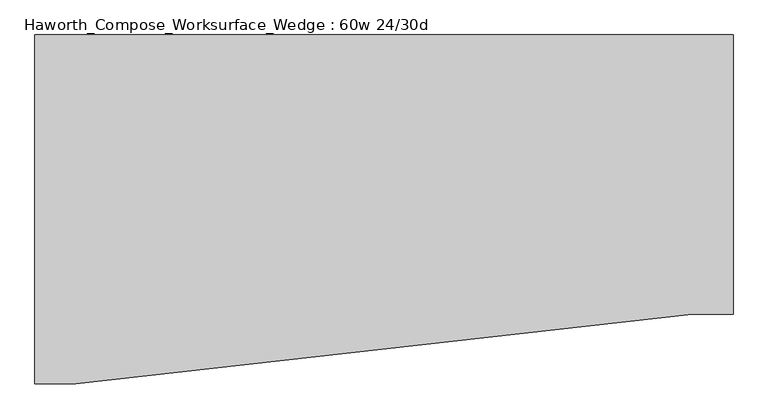
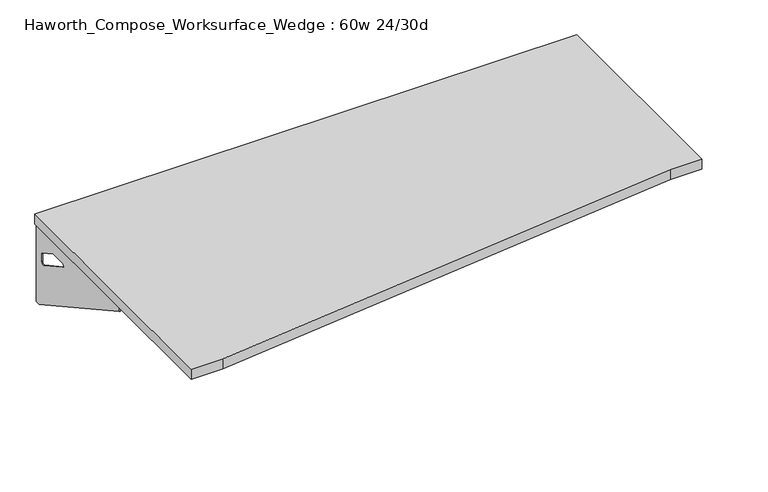
"""IFC4 building model written with IfcOpenShell, lengths in millimetres: furniture geometry, Haworth_Compose_Worksurface_Wedge : 60w 24/30d."""

from ifc_helpers import new_model, si_unit, frame, origin, place, context, project, spatial, polyline, circle_curve, outline, extrude, source, transform, mapped, element, save
from ifc_brep_helpers import plane_surface, revolved_surface, advanced_brep


def haworth_compose_worksurface_wedge_60w_24_30d_6eb2c6d6(model_context):
    return source(origin(), model_context, "Body", "SolidModel", [
        advanced_brep(
        [(756.44375, 381.0, 475.45625), (756.44375, 365.125, 475.45625), (756.44375, -25.4, 691.7192568), (756.44375, -25.4, 704.05625), (756.44375, 365.125, 704.05625), (756.44375, 381.0, 704.05625), (756.44375, 297.690072, 665.95625), (756.44375, 254.0355284, 665.95625), (756.44375, 251.3564235, 656.3705539), (756.44375, 343.0776173, 605.5776439), (756.44375, 352.425, 611.1756969), (756.44375, 352.425, 634.6860246), (756.44375, 350.6730055, 637.5242776), (756.44375, 300.7663437, 665.1613425), (758.825, 381.0, 475.45625), (758.825, 381.0, 704.05625), (758.825, 365.125, 704.05625), (758.825, 365.125, 706.4375), (758.825, -25.4, 706.4375), (758.825, -25.4, 691.7192568), (758.825, 365.125, 475.45625), (758.825, 297.690072, 665.95625), (758.825, 300.7663437, 665.1613425), (758.825, 350.6730055, 637.5242776), (758.825, 352.425, 634.6860246), (758.825, 352.425, 611.1756969), (758.825, 343.0776173, 605.5776439), (758.825, 251.3564235, 656.3705539), (758.825, 254.0355284, 665.95625), (717.55, -25.4, 706.4375), (717.55, -25.4, 704.05625), (717.55, 365.125, 704.05625), (717.55, 365.125, 706.4375)],
        [
            (0, 1),
            (1, 2),
            (2, 3),
            (3, 4),
            (4, 5),
            (5, 0),
            (6, 7),
            (7, 8, circle_curve(frame((756.44375, 254.0355284, 660.7890106), z_axis=(1.0, 0.0, 0.0), x_axis=(0.0, -1.0, 0.0)), 5.1672394)),
            (8, 9),
            (9, 10, circle_curve(frame((756.44375, 346.075, 611.1756969), z_axis=(1.0, 0.0, 0.0), x_axis=(0.0, -1.0, 0.0)), 6.35)),
            (10, 11),
            (11, 12, circle_curve(frame((756.44375, 349.25, 634.6860246), z_axis=(1.0, 0.0, 0.0), x_axis=(0.0, -1.0, 0.0)), 3.175)),
            (12, 13),
            (13, 6, circle_curve(frame((756.44375, 297.690072, 659.60625), z_axis=(1.0, 0.0, 0.0), x_axis=(0.0, -1.0, 0.0)), 6.35)),
            (14, 15),
            (15, 16),
            (16, 17),
            (17, 18),
            (18, 19),
            (19, 20),
            (20, 14),
            (21, 22, circle_curve(frame((758.825, 297.690072, 659.60625), z_axis=(-1.0, 0.0, 0.0), x_axis=(0.0, -1.0, 0.0)), 6.35)),
            (22, 23),
            (23, 24, circle_curve(frame((758.825, 349.25, 634.6860246), z_axis=(-1.0, 0.0, 0.0), x_axis=(0.0, -1.0, 0.0)), 3.175)),
            (24, 25),
            (25, 26, circle_curve(frame((758.825, 346.075, 611.1756969), z_axis=(-1.0, 0.0, 0.0), x_axis=(0.0, -1.0, 0.0)), 6.35)),
            (26, 27),
            (27, 28, circle_curve(frame((758.825, 254.0355284, 660.7890106), z_axis=(-1.0, 0.0, 0.0), x_axis=(0.0, -1.0, 0.0)), 5.1672394)),
            (28, 21),
            (4, 16),
            (15, 5),
            (14, 0),
            (20, 1),
            (19, 2),
            (18, 29),
            (29, 30),
            (30, 3),
            (6, 21),
            (28, 7),
            (9, 26),
            (25, 10),
            (24, 11),
            (23, 12),
            (27, 8),
            (31, 4),
            (30, 31),
            (32, 29),
            (17, 32),
            (31, 32),
            (22, 13),
        ],
        [
            plane_surface(frame((756.44375, 381.0, 475.45625), z_axis=(-1.0, 0.0, 0.0), x_axis=(0.0, 1.0, 0.0))),
            plane_surface(frame((758.825, 381.0, 475.45625), z_axis=(1.0, 0.0, 0.0), x_axis=(0.0, -1.0, 0.0))),
            plane_surface(frame((758.825, -25.4, 704.05625), z_axis=(0.0, 0.0, 1.0), x_axis=(-1.0, 0.0, 0.0))),
            plane_surface(frame((758.825, 381.0, 704.05625), z_axis=(0.0, 1.0, 0.0), x_axis=(-1.0, 0.0, 0.0))),
            plane_surface(frame((758.825, 381.0, 475.45625), z_axis=(0.0, 0.0, -1.0), x_axis=(-1.0, 0.0, 0.0))),
            plane_surface(frame((758.825, 365.125, 475.45625), z_axis=(0.0, -0.48445223513455843, -0.8748177135112952), x_axis=(-1.0, 0.0, 0.0))),
            plane_surface(frame((758.825, -25.4, 691.7192568), z_axis=(0.0, -1.0, 0.0), x_axis=(-1.0, 0.0, 0.0))),
            plane_surface(frame((758.825, 297.690072, 665.95625), z_axis=(0.0, 0.0, -1.0), x_axis=(-1.0, 0.0, 0.0))),
            revolved_surface(polyline([(756.44375, 339.72499999999997, 611.1756969), (758.825, 339.72499999999997, 611.1756969)]), (758.825, 346.075, 611.1756969), (-1.0, 0.0, 0.0)),
            plane_surface(frame((758.825, 352.425, 611.1756969), z_axis=(0.0, -1.0, 0.0), x_axis=(-1.0, 0.0, 0.0))),
            revolved_surface(polyline([(756.44375, 346.075, 634.6860246), (758.825, 346.075, 634.6860246)]), (758.825, 349.25, 634.6860246), (-1.0, 0.0, 0.0)),
            revolved_surface(polyline([(756.44375, 248.868289, 660.7890106), (758.825, 248.868289, 660.7890106)]), (758.825, 254.0355284, 660.7890106), (-1.0, 0.0, 0.0)),
            plane_surface(frame((758.825, 365.125, 704.05625), z_axis=(0.0, 0.0, -1.0), x_axis=(-1.0, 0.0, 0.0))),
            plane_surface(frame((758.825, 365.125, 706.4375), z_axis=(0.0, 0.0, 1.0), x_axis=(1.0, 0.0, 0.0))),
            plane_surface(frame((717.55, 365.125, 706.4375), z_axis=(0.0, 1.0, 0.0), x_axis=(0.0, 0.0, -1.0))),
            plane_surface(frame((717.55, -25.4, 706.4375), z_axis=(-1.0, 0.0, 0.0), x_axis=(0.0, 0.0, -1.0))),
            plane_surface(frame((758.825, 251.3564235, 656.3705539), z_axis=(0.0, 0.4844522351345583, 0.8748177135112953), x_axis=(-1.0, 0.0, 0.0))),
            plane_surface(frame((758.825, 350.6730055, 637.5242776), z_axis=(0.0, -0.4844522351345582, -0.8748177135112953), x_axis=(-1.0, 0.0, 0.0))),
            revolved_surface(polyline([(756.44375, 291.34007199999996, 659.60625), (758.825, 291.34007199999996, 659.60625)]), (758.825, 297.690072, 659.60625), (-1.0, 0.0, 0.0)),
        ],
        [
            (0, [[1, 2, 3, 4, 5, 6], [7, 8, 9, 10, 11, 12, 13, 14]]),
            (1, [[15, 16, 17, 18, 19, 20, 21], [22, 23, 24, 25, 26, 27, 28, 29]]),
            (2, [[-5, 30, -16, 31]]),
            (3, [[-31, -15, 32, -6]]),
            (4, [[-32, -21, 33, -1]]),
            (5, [[-33, -20, 34, -2]]),
            (6, [[-34, -19, 35, 36, 37, -3]]),
            (7, [[38, -29, 39, -7]]),
            (8, [[40, -26, 41, -10]]),
            (9, [[-41, -25, 42, -11]]),
            (10, [[-42, -24, 43, -12]]),
            (11, [[-39, -28, 44, -8]]),
            (12, [[45, -4, -37, 46]]),
            (13, [[47, -35, -18, 48]]),
            (14, [[-17, -30, -45, 49, -48]]),
            (15, [[-36, -47, -49, -46]]),
            (16, [[-44, -27, -40, -9]]),
            (17, [[-43, -23, 50, -13]]),
            (18, [[-50, -22, -38, -14]]),
        ],
    ),
        advanced_brep(
        [(-756.44375, 381.0, 475.45625), (-756.44375, 381.0, 704.05625), (-756.44375, 365.125, 704.05625), (-756.44375, -25.4, 704.05625), (-756.44375, -25.4, 691.7192568), (-756.44375, 365.125, 475.45625), (-756.44375, 297.690072, 665.95625), (-756.44375, 300.7663437, 665.1613425), (-756.44375, 350.6730055, 637.5242776), (-756.44375, 352.425, 634.6860246), (-756.44375, 352.425, 611.1756969), (-756.44375, 343.0776173, 605.5776439), (-756.44375, 251.3564235, 656.3705539), (-756.44375, 254.0355284, 665.95625), (-758.825, 381.0, 475.45625), (-758.825, 365.125, 475.45625), (-758.825, -25.4, 691.7192568), (-758.825, -25.4, 706.4375), (-758.825, 365.125, 706.4375), (-758.825, 365.125, 704.05625), (-758.825, 381.0, 704.05625), (-758.825, 297.690072, 665.95625), (-758.825, 254.0355284, 665.95625), (-758.825, 251.3564235, 656.3705539), (-758.825, 343.0776173, 605.5776439), (-758.825, 352.425, 611.1756969), (-758.825, 352.425, 634.6860246), (-758.825, 350.6730055, 637.5242776), (-758.825, 300.7663437, 665.1613425), (-717.55, -25.4, 704.05625), (-717.55, -25.4, 706.4375), (-717.55, 365.125, 704.05625), (-717.55, 365.125, 706.4375)],
        [
            (0, 1),
            (1, 2),
            (2, 3),
            (3, 4),
            (4, 5),
            (5, 0),
            (6, 7, circle_curve(frame((-756.44375, 297.690072, 659.60625), z_axis=(-1.0, 0.0, 0.0), x_axis=(0.0, -1.0, 0.0)), 6.35)),
            (7, 8),
            (8, 9, circle_curve(frame((-756.44375, 349.25, 634.6860246), z_axis=(-1.0, 0.0, 0.0), x_axis=(0.0, -1.0, 0.0)), 3.175)),
            (9, 10),
            (10, 11, circle_curve(frame((-756.44375, 346.075, 611.1756969), z_axis=(-1.0, 0.0, 0.0), x_axis=(0.0, -1.0, 0.0)), 6.35)),
            (11, 12),
            (12, 13, circle_curve(frame((-756.44375, 254.0355284, 660.7890106), z_axis=(-1.0, 0.0, 0.0), x_axis=(0.0, -1.0, 0.0)), 5.1672394)),
            (13, 6),
            (14, 15),
            (15, 16),
            (16, 17),
            (17, 18),
            (18, 19),
            (19, 20),
            (20, 14),
            (21, 22),
            (22, 23, circle_curve(frame((-758.825, 254.0355284, 660.7890106), z_axis=(1.0, 0.0, 0.0), x_axis=(0.0, -1.0, 0.0)), 5.1672394)),
            (23, 24),
            (24, 25, circle_curve(frame((-758.825, 346.075, 611.1756969), z_axis=(1.0, 0.0, 0.0), x_axis=(0.0, -1.0, 0.0)), 6.35)),
            (25, 26),
            (26, 27, circle_curve(frame((-758.825, 349.25, 634.6860246), z_axis=(1.0, 0.0, 0.0), x_axis=(0.0, -1.0, 0.0)), 3.175)),
            (27, 28),
            (28, 21, circle_curve(frame((-758.825, 297.690072, 659.60625), z_axis=(1.0, 0.0, 0.0), x_axis=(0.0, -1.0, 0.0)), 6.35)),
            (1, 20),
            (19, 2),
            (0, 14),
            (5, 15),
            (4, 16),
            (3, 29),
            (29, 30),
            (30, 17),
            (13, 22),
            (21, 6),
            (10, 25),
            (24, 11),
            (9, 26),
            (8, 27),
            (12, 23),
            (31, 29),
            (2, 31),
            (32, 18),
            (30, 32),
            (32, 31),
            (7, 28),
        ],
        [
            plane_surface(frame((-756.44375, 381.0, 475.45625), z_axis=(1.0, 0.0, 0.0), x_axis=(0.0, 1.0, 0.0))),
            plane_surface(frame((-758.825, 381.0, 475.45625), z_axis=(-1.0, 0.0, 0.0), x_axis=(0.0, -1.0, 0.0))),
            plane_surface(frame((-758.825, -25.4, 704.05625), z_axis=(0.0, 0.0, 1.0), x_axis=(1.0, 0.0, 0.0))),
            plane_surface(frame((-758.825, 381.0, 704.05625), z_axis=(0.0, 1.0, 0.0), x_axis=(1.0, 0.0, 0.0))),
            plane_surface(frame((-758.825, 381.0, 475.45625), z_axis=(0.0, 0.0, -1.0), x_axis=(1.0, 0.0, 0.0))),
            plane_surface(frame((-758.825, 365.125, 475.45625), z_axis=(0.0, -0.48445223513455843, -0.8748177135112952), x_axis=(1.0, 0.0, 0.0))),
            plane_surface(frame((-758.825, -25.4, 691.7192568), z_axis=(0.0, -1.0, 0.0), x_axis=(1.0, 0.0, 0.0))),
            plane_surface(frame((-758.825, 297.690072, 665.95625), z_axis=(0.0, 0.0, -1.0), x_axis=(1.0, 0.0, 0.0))),
            revolved_surface(polyline([(-756.44375, 339.72499999999997, 611.1756969), (-758.825, 339.72499999999997, 611.1756969)]), (-758.825, 346.075, 611.1756969), (1.0, 0.0, 0.0)),
            plane_surface(frame((-758.825, 352.425, 611.1756969), z_axis=(0.0, -1.0, 0.0), x_axis=(1.0, 0.0, 0.0))),
            revolved_surface(polyline([(-756.44375, 346.075, 634.6860246), (-758.825, 346.075, 634.6860246)]), (-758.825, 349.25, 634.6860246), (1.0, 0.0, 0.0)),
            revolved_surface(polyline([(-756.44375, 248.868289, 660.7890106), (-758.825, 248.868289, 660.7890106)]), (-758.825, 254.0355284, 660.7890106), (1.0, 0.0, 0.0)),
            plane_surface(frame((-758.825, 365.125, 704.05625), z_axis=(0.0, 0.0, -1.0), x_axis=(1.0, 0.0, 0.0))),
            plane_surface(frame((-758.825, 365.125, 706.4375), z_axis=(0.0, 0.0, 1.0), x_axis=(-1.0, 0.0, 0.0))),
            plane_surface(frame((-717.55, 365.125, 706.4375), z_axis=(0.0, 1.0, 0.0), x_axis=(0.0, 0.0, -1.0))),
            plane_surface(frame((-717.55, -25.4, 706.4375), z_axis=(1.0, 0.0, 0.0), x_axis=(0.0, 0.0, -1.0))),
            plane_surface(frame((-758.825, 251.3564235, 656.3705539), z_axis=(0.0, 0.4844522351345583, 0.8748177135112953), x_axis=(1.0, 0.0, 0.0))),
            plane_surface(frame((-758.825, 350.6730055, 637.5242776), z_axis=(0.0, -0.4844522351345582, -0.8748177135112953), x_axis=(1.0, 0.0, 0.0))),
            revolved_surface(polyline([(-756.44375, 291.34007199999996, 659.60625), (-758.825, 291.34007199999996, 659.60625)]), (-758.825, 297.690072, 659.60625), (1.0, 0.0, 0.0)),
        ],
        [
            (0, [[1, 2, 3, 4, 5, 6], [7, 8, 9, 10, 11, 12, 13, 14]]),
            (1, [[15, 16, 17, 18, 19, 20, 21], [22, 23, 24, 25, 26, 27, 28, 29]]),
            (2, [[30, -20, 31, -2]]),
            (3, [[-1, 32, -21, -30]]),
            (4, [[-6, 33, -15, -32]]),
            (5, [[-5, 34, -16, -33]]),
            (6, [[-4, 35, 36, 37, -17, -34]]),
            (7, [[-14, 38, -22, 39]]),
            (8, [[-11, 40, -25, 41]]),
            (9, [[-10, 42, -26, -40]]),
            (10, [[-9, 43, -27, -42]]),
            (11, [[-13, 44, -23, -38]]),
            (12, [[45, -35, -3, 46]]),
            (13, [[47, -18, -37, 48]]),
            (14, [[-47, 49, -46, -31, -19]]),
            (15, [[-45, -49, -48, -36]]),
            (16, [[-12, -41, -24, -44]]),
            (17, [[-8, 50, -28, -43]]),
            (18, [[-7, -39, -29, -50]]),
        ],
    ),
        extrude(outline(polyline([(762.0, 381.0), (762.0, -228.6), (673.1, -228.6), (-673.1, -381.0), (-762.0, -381.0), (-762.0, 381.0), (762.0, 381.0)])), frame((0.0, 0.0, 706.4375), z_axis=(0.0, 0.0, 1.0), x_axis=(1.0, 0.0, 0.0)), (0.0, 0.0, 1.0), 30.1625),
    ])


if __name__ == "__main__":
    model = new_model("IFC4")
    model_context = context("Model", 3, world=origin())
    ifc_project = project(units=[si_unit("LENGTHUNIT", "METRE", prefix="MILLI")], contexts=[model_context])
    site = spatial("IfcSite", under=ifc_project)
    building = spatial("IfcBuilding", under=site)
    placement = place(None, origin())
    haworth_compose_worksurface_wedge_60w_24_30d_shape = haworth_compose_worksurface_wedge_60w_24_30d_6eb2c6d6(model_context)
    element("IfcFurniture", 1, ObjectType="Haworth_Compose_Worksurface_Wedge : 60w 24/30d", at=placement, inside=building, context=model_context, shape_type="MappedRepresentation", body=[
        mapped(haworth_compose_worksurface_wedge_60w_24_30d_shape, transform((0.0, 0.0, 0.0), x_axis=(1.0, 0.0, 0.0), y_axis=(0.0, 1.0, 0.0), z_axis=(0.0, 0.0, 1.0))),
    ])
    save(model, "model.ifc")
